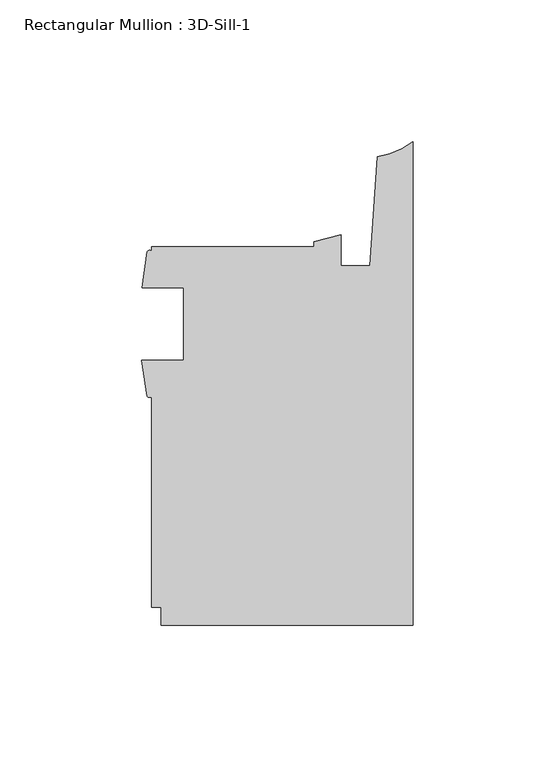
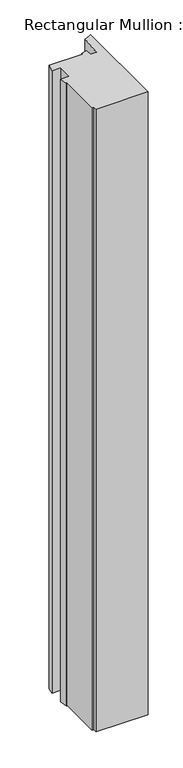
"""IFC4 building model written with IfcOpenShell, lengths in millimetres: member geometry, Rectangular Mullion : 3D-Sill-1."""

from ifc_helpers import new_model, si_unit, point, frame, frame_2d, origin, place, context, project, spatial, polyline, circle_curve, trimmed, segment, composite_curve, outline, extrude, source, transform, mapped, element, save


def rectangular_mullion_3d_sill_1_22ee0893(model_context):
    return source(origin(), model_context, "Body", "SweptSolid", [
        extrude(outline(composite_curve([segment(trimmed(circle_curve(frame_2d((-92.9068292, 1.9651676)), 1.065983), [point((-92.075127, 1.2983909))], [point((-93.7385314, 1.2983909))], False, "CARTESIAN"), True, "CONTINUOUS"), segment(polyline([(-93.7385314, 1.2983909), (-95.5946487, 14.0714437), (-80.962627, 14.0714437), (-80.962627, 39.4714437), (-95.471127, 39.4714437), (-93.6610233, 52.2427313)]), True, "CONTINUOUS"), segment(trimmed(circle_curve(frame_2d((-92.8705885, 51.8025367)), 0.9047422), [point((-93.6610233, 52.2427313))], [point((-92.075127, 52.2335812))], False, "CARTESIAN"), True, "CONTINUOUS"), segment(polyline([(-92.075127, 52.2335812), (-92.075127, 53.9749687), (-34.925, 53.9749687), (-34.925, 55.706233), (-25.4, 58.1484157), (-25.4, 47.3577987), (-15.24, 47.3577987), (-12.5900978, 85.6123565)]), True, "CONTINUOUS"), segment(trimmed(circle_curve(frame_2d((-16.4585191, 112.6416656)), 27.3047292), [point((-12.5900978, 85.6123565))], [point((0.0, 90.8548488))], True, "CARTESIAN"), True, "CONTINUOUS"), segment(polyline([(0.0, 90.8548488), (0.0, -79.3749687), (-88.899973, -79.3749687), (-88.899973, -73.0250313), (-92.075127, -73.0250313), (-92.075127, 1.2983909)]), True, "CONTINUOUS")], self_intersect=False)), frame((0.0, 0.0, -1126.4359565), z_axis=(0.0, 0.0, 1.0), x_axis=(1.0, 0.0, 0.0)), (0.0, 0.0, 1.0), 1126.4359565),
    ])


if __name__ == "__main__":
    model = new_model("IFC4")
    model_context = context("Model", 3, world=origin())
    ifc_project = project(units=[si_unit("LENGTHUNIT", "METRE", prefix="MILLI")], contexts=[model_context])
    site = spatial("IfcSite", under=ifc_project)
    building = spatial("IfcBuilding", under=site)
    placement = place(None, origin())
    rectangular_mullion_3d_sill_1_shape = rectangular_mullion_3d_sill_1_22ee0893(model_context)
    element("IfcMember", 1, ObjectType="Rectangular Mullion : 3D-Sill-1", at=placement, inside=building, context=model_context, shape_type="MappedRepresentation", body=[
        mapped(rectangular_mullion_3d_sill_1_shape, transform((0.0, 0.0, 0.0), x_axis=(1.0, 0.0, 0.0), y_axis=(0.0, 1.0, 0.0), z_axis=(0.0, 0.0, 1.0))),
    ])
    save(model, "model.ifc")
